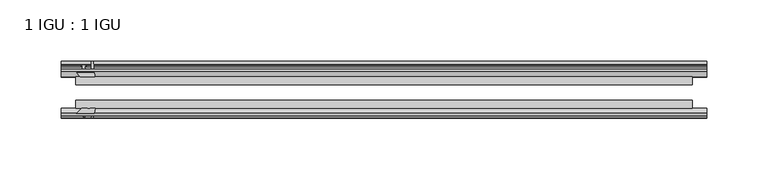
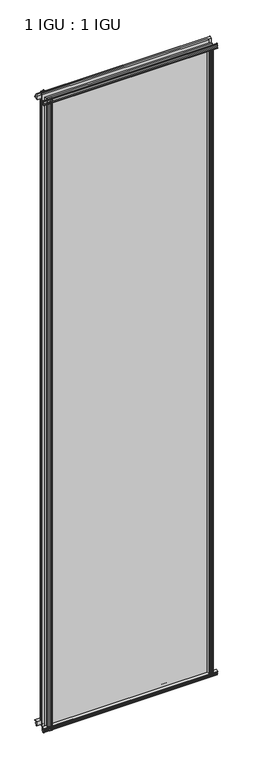
"""IFC4 building model written with IfcOpenShell, lengths in millimetres: plate geometry, 1 IGU : 1 IGU."""

from ifc_helpers import new_model, si_unit, point, frame, frame_2d, origin, origin_with_axes, place, context, project, spatial, polyline, circle_curve, trimmed, segment, composite_curve, outline, extrude, source, transform, mapped, element, save


def plate_1_igu_1_igu_a48ff8d9(model_context):
    return source(origin(), model_context, "Body", "SweptSolid", [
        extrude(outline(polyline([(-24.9039062, 2.5763839), (-12.2039062, 1.5739665), (-12.2039062, 0.0), (-18.5539062, 0.0), (-18.5539062, -4.953), (-16.254502, -5.5691235), (-16.6301757, -4.1670901), (-15.7714677, -3.937), (-15.1249062, -6.35), (-15.7714677, -8.763), (-16.6301757, -8.5329099), (-16.254502, -7.1308765), (-18.5539062, -7.747), (-18.5539062, -12.7), (-20.5859062, -12.7), (-24.9039062, -9.1036931), (-24.9039062, 2.5763839)])), frame((-263.8117253, 0.0, 0.0), z_axis=(1.0, 0.0, 0.0), x_axis=(0.0, 1.0, 0.0)), (0.0, 0.0, 1.0), 525.9367319),
        extrude(outline(composite_curve([segment(polyline([(-58.2287402, 1.5687054), (-50.3039062, 3.0983599), (-50.3039062, -7.92383), (-54.4858806, -12.1058044)]), True, "CONTINUOUS"), segment(trimmed(circle_curve(frame_2d((-55.3839062, -11.2077788)), 1.27), [point((-54.4858806, -12.1058044))], [point((-56.6539062, -11.2077788))], False, "CARTESIAN"), True, "CONTINUOUS"), segment(polyline([(-56.6539062, -11.2077788), (-56.6539062, -8.0327788), (-58.1332022, -5.4488186), (-56.6539062, -5.1879788), (-56.6539062, 0.2222212), (-58.2287402, 0.0), (-58.2287402, 1.5687054)]), True, "CONTINUOUS")], self_intersect=False)), frame((-263.8117253, 0.0, 0.0), z_axis=(1.0, 0.0, 0.0), x_axis=(0.0, 1.0, 0.0)), (0.0, 0.0, 1.0), 525.9367319),
        extrude(outline(polyline([(-18.5539063, 2001.656525), (-16.254502, 2001.0404015), (-16.6301757, 2002.4424349), (-15.7714677, 2002.672525), (-15.1249063, 2000.259525), (-15.7714677, 1997.846525), (-16.6301757, 1998.0766151), (-16.254502, 1999.4786485), (-18.5539063, 1998.862525), (-18.5539063, 1993.909525), (-12.2039062, 1993.909525), (-12.2039062, 1992.3355585), (-24.9039063, 1991.3331411), (-24.9039063, 2003.0132181), (-20.5859063, 2006.609525), (-18.5539063, 2006.609525), (-18.5539063, 2001.656525)])), frame((-263.8117253, 0.0, 0.0), z_axis=(1.0, 0.0, 0.0), x_axis=(0.0, 1.0, 0.0)), (0.0, 0.0, 1.0), 525.9367319),
        extrude(outline(composite_curve([segment(polyline([(-50.3039063, 2001.833355), (-50.3039063, 1990.8111651), (-58.2287402, 1992.3408196), (-58.2287402, 1993.909525), (-56.6539063, 1993.6873038), (-56.6539063, 1999.0975038), (-58.1332023, 1999.3583436), (-56.6539063, 2001.9423038), (-56.6539063, 2005.1173038)]), True, "CONTINUOUS"), segment(trimmed(circle_curve(frame_2d((-55.3839063, 2005.1173038)), 1.27), [point((-56.6539063, 2005.1173038))], [point((-54.4858806, 2006.0153294))], False, "CARTESIAN"), True, "CONTINUOUS"), segment(polyline([(-54.4858806, 2006.0153294), (-50.3039063, 2001.833355)]), True, "CONTINUOUS")], self_intersect=False)), frame((-263.8117253, 0.0, 0.0), z_axis=(1.0, 0.0, 0.0), x_axis=(0.0, 1.0, 0.0)), (0.0, 0.0, 1.0), 525.9367319),
        extrude(outline(composite_curve([segment(polyline([(235.8321626, -57.3876965), (234.4648466, -50.3039063), (245.4870366, -50.3039063), (249.669011, -54.4858806)]), True, "CONTINUOUS"), segment(trimmed(circle_curve(frame_2d((248.7709854, -55.3839062)), 1.27), [point((249.669011, -54.4858806))], [point((248.7709854, -56.6539062))], False, "CARTESIAN"), True, "CONTINUOUS"), segment(polyline([(248.7709854, -56.6539062), (245.5959854, -56.6539063), (243.0120252, -58.1332023), (242.7511854, -56.6539063), (237.3409854, -56.6539063), (237.5632066, -58.2287402), (236.5988858, -58.2014026)]), True, "CONTINUOUS"), segment(trimmed(circle_curve(frame_2d((236.8329854, -57.2127402)), 1.016), [point((236.5988858, -58.2014026))], [point((235.8321626, -57.3876965))], False, "CARTESIAN"), True, "CONTINUOUS")], self_intersect=False)), origin_with_axes(), (0.0, 0.0, 1.0), 1994.3064),
        extrude(outline(polyline([(242.5162066, -18.5539062), (243.1323301, -16.254502), (241.7302967, -16.6301757), (241.5002066, -15.7714677), (243.9132066, -15.1249062), (246.3262066, -15.7714677), (246.0961164, -16.6301757), (244.6940831, -16.254502), (245.3102066, -18.5539062), (250.2632066, -18.5539062), (250.2632066, -20.5859062), (246.6668997, -24.9039063), (234.9868226, -24.9039063), (235.98924, -12.2039062), (237.5632066, -12.2039062), (237.5632066, -18.5539062), (242.5162066, -18.5539062)])), origin_with_axes(), (0.0, 0.0, 1.0), 1994.3064),
        extrude(outline(composite_curve([segment(polyline([(-247.2827041, -56.6539062), (-250.4577041, -56.6539062)]), True, "CONTINUOUS"), segment(trimmed(circle_curve(frame_2d((-250.4577041, -55.3839062)), 1.27), [point((-250.4577041, -56.6539062))], [point((-251.3557297, -54.4858806))], False, "CARTESIAN"), True, "CONTINUOUS"), segment(polyline([(-251.3557297, -54.4858806), (-247.1737553, -50.3039062), (-243.5042099, -50.3039062)]), True, "CONTINUOUS"), segment(trimmed(circle_curve(frame_2d((-241.4407041, -46.3669062)), 4.445), [point((-243.5042099, -50.3039062))], [point((-239.3771984, -50.3039062))], True, "CARTESIAN"), True, "CONTINUOUS"), segment(polyline([(-239.3771984, -50.3039062), (-236.1515654, -50.3039062), (-237.6812199, -58.2287402), (-239.2499253, -58.2287402), (-239.0277041, -56.6539062), (-244.4379041, -56.6539062), (-244.6987439, -58.1332022), (-247.2827041, -56.6539062)]), True, "CONTINUOUS")], self_intersect=False)), frame((0.0, 0.0, -12.7), z_axis=(0.0, 0.0, 1.0), x_axis=(1.0, 0.0, 0.0)), (0.0, 0.0, 1.0), 2019.309525),
        extrude(outline(polyline([(-236.6735414, -24.9039062), (-248.3536184, -24.9039062), (-251.9499253, -20.5859062), (-251.9499253, -18.5539062), (-246.9969253, -18.5539062), (-246.3808018, -16.254502), (-247.7828352, -16.6301757), (-248.0129253, -15.7714677), (-245.5999253, -15.1249062), (-243.1869253, -15.7714677), (-243.4170155, -16.6301757), (-244.8190488, -16.254502), (-244.2029253, -18.5539062), (-239.2499253, -18.5539062), (-239.2499253, -12.2039062), (-237.6759588, -12.2039062), (-236.6735414, -24.9039062)])), frame((0.0, 0.0, -12.7), z_axis=(0.0, 0.0, 1.0), x_axis=(1.0, 0.0, 0.0)), (0.0, 0.0, 1.0), 2019.309525),
        extrude(outline(polyline([(250.2632066, -24.9039062), (250.2632066, -31.2031063), (-251.9499253, -31.2031063), (-251.9499253, -24.9039062), (250.2632066, -24.9039062)])), frame((0.0, 0.0, -12.7), z_axis=(0.0, 0.0, 1.0), x_axis=(1.0, 0.0, 0.0)), (0.0, 0.0, 1.0), 2019.309525),
        extrude(outline(polyline([(-251.9499253, -44.0047063), (250.2632066, -44.0047063), (250.2632066, -50.3039062), (-251.9499253, -50.3039062), (-251.9499253, -44.0047063)])), frame((0.0, 0.0, -12.7), z_axis=(0.0, 0.0, 1.0), x_axis=(1.0, 0.0, 0.0)), (0.0, 0.0, 1.0), 2019.309525),
    ])


if __name__ == "__main__":
    model = new_model("IFC4")
    model_context = context("Model", 3, world=origin())
    ifc_project = project(units=[si_unit("LENGTHUNIT", "METRE", prefix="MILLI")], contexts=[model_context])
    site = spatial("IfcSite", under=ifc_project)
    building = spatial("IfcBuilding", under=site)
    placement = place(None, origin())
    plate_1_igu_1_igu_shape = plate_1_igu_1_igu_a48ff8d9(model_context)
    element("IfcPlate", 1, ObjectType="1 IGU : 1 IGU", at=placement, inside=building, context=model_context, shape_type="MappedRepresentation", body=[
        mapped(plate_1_igu_1_igu_shape, transform((0.0, 0.0, 0.0), x_axis=(1.0, 0.0, 0.0), y_axis=(0.0, 1.0, 0.0), z_axis=(0.0, 0.0, 1.0))),
    ])
    save(model, "model.ifc")
